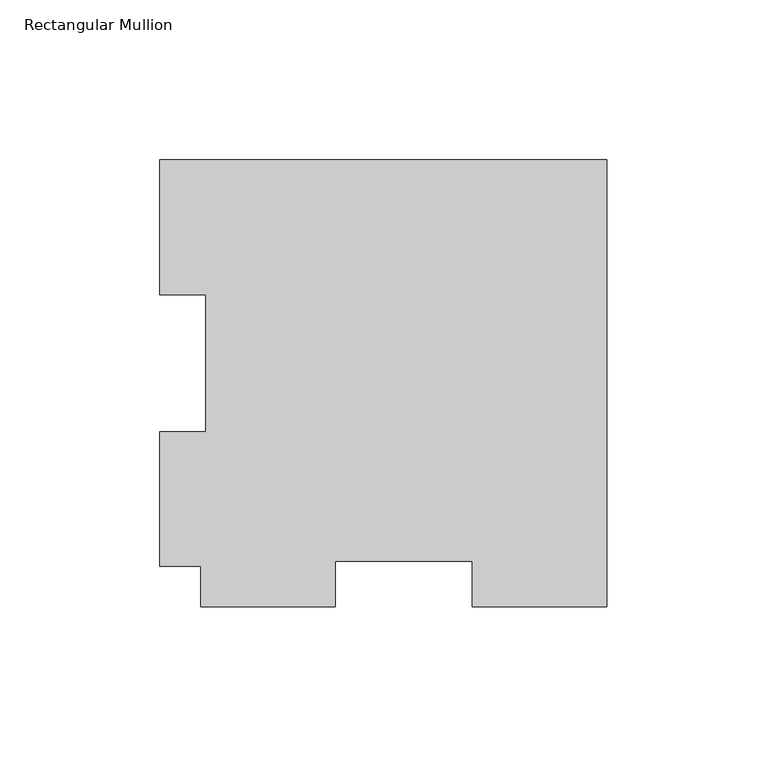
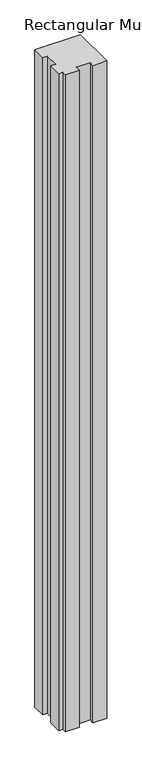
"""IFC4 building model written with IfcOpenShell, lengths in millimetres: member geometry, Rectangular Mullion."""

from ifc_helpers import new_model, si_unit, frame, origin, place, context, project, spatial, polyline, outline, extrude, source, transform, mapped, element, save


def rectangular_mullion_1db556cb(model_context):
    return source(origin(), model_context, "Body", "SweptSolid", [
        extrude(outline(polyline([(-139.7, 126.7086937), (0.0, 126.7086937), (0.0, -12.9913063), (-42.0751, -12.9913063), (-42.0751, 1.2961937), (-84.9249, 1.2961937), (-84.9249, -12.9913063), (-127.0, -12.9913063), (-127.0, -0.2913063), (-139.7, -0.2913063), (-139.7, 41.7837938), (-125.4125, 41.7837938), (-125.4125, 84.6335938), (-139.7, 84.6335938), (-139.7, 126.7086937)])), frame((0.0, 0.0, -2133.6), z_axis=(0.0, 0.0, 1.0), x_axis=(1.0, 0.0, 0.0)), (0.0, 0.0, 1.0), 2133.6),
    ])


if __name__ == "__main__":
    model = new_model("IFC4")
    model_context = context("Model", 3, world=origin())
    ifc_project = project(units=[si_unit("LENGTHUNIT", "METRE", prefix="MILLI")], contexts=[model_context])
    site = spatial("IfcSite", under=ifc_project)
    building = spatial("IfcBuilding", under=site)
    placement = place(None, origin())
    rectangular_mullion_shape = rectangular_mullion_1db556cb(model_context)
    element("IfcMember", 1, ObjectType="Rectangular Mullion", at=placement, inside=building, context=model_context, shape_type="MappedRepresentation", body=[
        mapped(rectangular_mullion_shape, transform((0.0, 0.0, 0.0), x_axis=(1.0, 0.0, 0.0), y_axis=(0.0, 1.0, 0.0), z_axis=(0.0, 0.0, 1.0))),
    ])
    save(model, "model.ifc")
